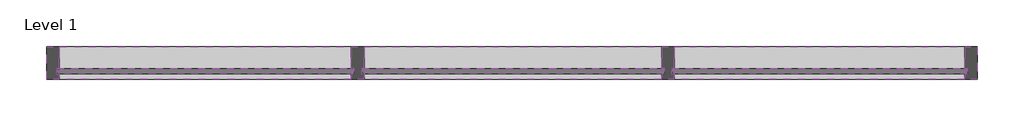
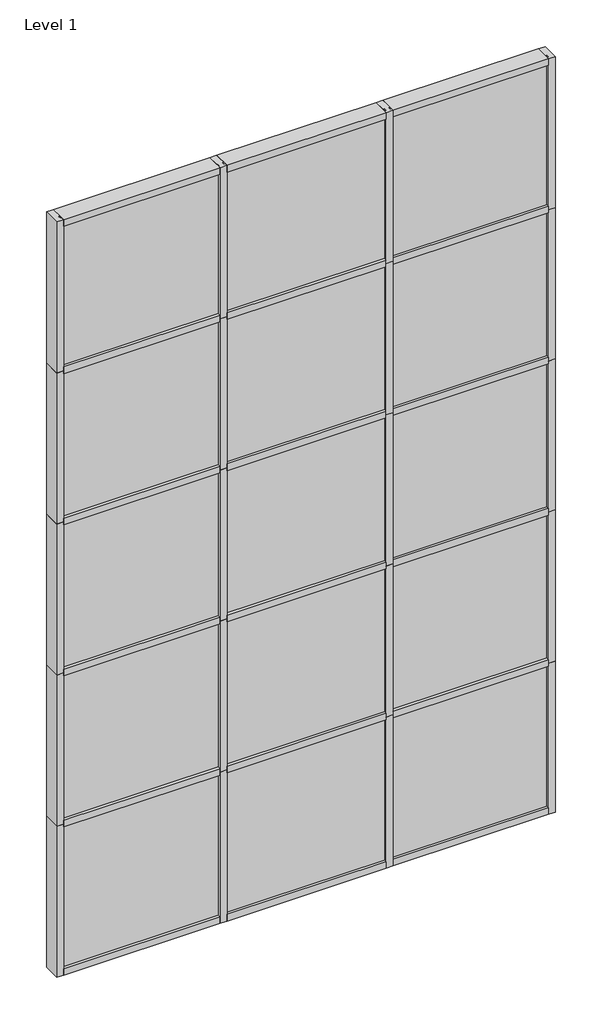
# One storey: 38 members, 15 plates.
"""IFC4 building model written with IfcOpenShell, lengths in millimetres."""

import ifcopenshell
import ifcopenshell.guid

model = None  # the IFC model being written
_history = None  # IfcOwnerHistory: only IFC2X3 demands one
_inside = {}  # id of a spatial element -> (the spatial element, [elements in it])
_under = {}  # id of a project, library or spatial element -> (it, [spatial elements below it])
_declared = {}  # id of a project -> (the project, [libraries it declares])
_typed = {}  # id of a type object -> (the type object, [elements of that type])
_made_of = {}  # id of a material, layer set ... -> (it, [elements and type objects made of it])


def new_model(schema):
    """Start an empty IFC model of exactly this schema.

    Asked for "IFC4X3", IfcOpenShell would pick the latest addendum, in which some entities
    have other attributes; the version numbers below select the first issue.
    IFC2X3 requires an IfcOwnerHistory on every rooted entity: one is made here for all.
    """
    global model, _history
    if schema == "IFC4X3":
        model = ifcopenshell.file(schema_version=(4, 3, 0, 0))
    else:
        model = ifcopenshell.file(schema=schema)
    _inside.clear()
    _under.clear()
    _declared.clear()
    _typed.clear()
    _made_of.clear()
    _history = None
    if model.schema == "IFC2X3":
        org = make("IfcOrganization", Name="unknown")
        user = make(
            "IfcPersonAndOrganization",
            ThePerson=make("IfcPerson", FamilyName="unknown"),
            TheOrganization=org,
        )
        app = make(
            "IfcApplication",
            ApplicationDeveloper=org,
            Version="unknown",
            ApplicationFullName="unknown",
            ApplicationIdentifier="unknown",
        )
        _history = make(
            "IfcOwnerHistory",
            OwningUser=user,
            OwningApplication=app,
            ChangeAction="ADDED",
            CreationDate=0,
        )
    return model


def make(cls, **values):
    """One entity of the class cls with the attributes given. An attribute that is None is left unset."""
    return model.create_entity(
        cls, **{name: value for name, value in values.items() if value is not None}
    )


def rooted(cls, **values):
    """An entity with a GlobalId (a new one), such as an element, a storey or a relation."""
    return make(cls, GlobalId=ifcopenshell.guid.new(), OwnerHistory=_history, **values)


def si_unit(unit_type, name, prefix=None):
    """IfcSIUnit, for example si_unit("LENGTHUNIT", "METRE", prefix="MILLI")."""
    return make("IfcSIUnit", UnitType=unit_type, Prefix=prefix, Name=name)


def assignment(units):
    """IfcUnitAssignment: the units of a project."""
    return None if units is None else make("IfcUnitAssignment", Units=units)


def point(xyz):
    """IfcCartesianPoint."""
    return None if xyz is None else make("IfcCartesianPoint", Coordinates=xyz)


def direction(xyz):
    """IfcDirection."""
    return None if xyz is None else make("IfcDirection", DirectionRatios=xyz)


def frame(location, z_axis=None, x_axis=None):
    """IfcAxis2Placement3D, a coordinate frame: its origin and axes. An axis left out is left unset."""
    return make(
        "IfcAxis2Placement3D",
        Location=point(location),
        Axis=direction(z_axis),
        RefDirection=direction(x_axis),
    )


def origin():
    """The frame at (0, 0, 0) with its axes left unset."""
    return frame((0.0, 0.0, 0.0))


def origin_with_axes():
    """The frame at (0, 0, 0) with the z axis (0, 0, 1) and the x axis (1, 0, 0) written out."""
    return frame((0.0, 0.0, 0.0), z_axis=(0.0, 0.0, 1.0), x_axis=(1.0, 0.0, 0.0))


def place(relative_to, where):
    """IfcLocalPlacement: puts the frame where relative to a parent placement (None: the world)."""
    return make(
        "IfcLocalPlacement", PlacementRelTo=relative_to, RelativePlacement=where
    )


def context(
    kind, dimensions, precision=None, world=None, true_north=None, identifier=None
):
    """IfcGeometricRepresentationContext, for example the 3D "Model" context."""
    return make(
        "IfcGeometricRepresentationContext",
        ContextIdentifier=identifier,
        ContextType=kind,
        CoordinateSpaceDimension=dimensions,
        Precision=precision,
        WorldCoordinateSystem=world,
        TrueNorth=true_north,
    )


def project(units=None, contexts=None):
    """IfcProject with its units and contexts."""
    return rooted(
        "IfcProject",
        Name="project",
        RepresentationContexts=contexts,
        UnitsInContext=assignment(units),
    )


def spatial(cls, under=None, at=None, **own):
    """A site, building, storey or space (cls), placed at a placement, below another one or the project."""
    s = rooted(cls, ObjectPlacement=at, **own)
    if under is not None:
        _under.setdefault(under.id(), (under, []))[1].append(s)
    return s


def polyline(points):
    """IfcPolyline through the points."""
    return make("IfcPolyline", Points=[point(p) for p in points])


def outline(outer, holes=None, kind="AREA"):
    """IfcArbitraryClosedProfileDef: a profile drawn as a closed curve; with holes, ...WithVoids."""
    if holes is None:
        return make("IfcArbitraryClosedProfileDef", ProfileType=kind, OuterCurve=outer)
    return make(
        "IfcArbitraryProfileDefWithVoids",
        ProfileType=kind,
        OuterCurve=outer,
        InnerCurves=holes,
    )


def extrude(swept, where, along, depth):
    """IfcExtrudedAreaSolid: the profile swept, set in the frame where, extruded along a direction by depth."""
    return make(
        "IfcExtrudedAreaSolid",
        SweptArea=swept,
        Position=where,
        ExtrudedDirection=direction(along),
        Depth=depth,
    )


def shape(context_of_items, identifier, shape_type, items):
    """IfcShapeRepresentation: the items that make up one representation, for example the "Body"."""
    return make(
        "IfcShapeRepresentation",
        ContextOfItems=context_of_items,
        RepresentationIdentifier=identifier,
        RepresentationType=shape_type,
        Items=items,
    )


def source(mapping_origin, context_of_items, identifier, shape_type, items):
    """IfcRepresentationMap: a shape defined once, which mapped items show again and again."""
    return make(
        "IfcRepresentationMap",
        MappingOrigin=mapping_origin,
        MappedRepresentation=shape(context_of_items, identifier, shape_type, items),
    )


def transform(
    local_origin,
    x_axis=None,
    y_axis=None,
    z_axis=None,
    scale=None,
    scale2=None,
    scale3=None,
    uniform=True,
):
    """IfcCartesianTransformationOperator3D, or its non-uniform kind. x_axis, y_axis, z_axis: its Axis1, 2, 3."""
    if uniform:
        return make(
            "IfcCartesianTransformationOperator3D",
            Axis1=direction(x_axis),
            Axis2=direction(y_axis),
            LocalOrigin=point(local_origin),
            Scale=scale,
            Axis3=direction(z_axis),
        )
    return make(
        "IfcCartesianTransformationOperator3DnonUniform",
        Axis1=direction(x_axis),
        Axis2=direction(y_axis),
        LocalOrigin=point(local_origin),
        Scale=scale,
        Axis3=direction(z_axis),
        Scale2=scale2,
        Scale3=scale3,
    )


def mapped(mapping_source, mapping_target):
    """IfcMappedItem: shows the shape of a source again, moved by a transform."""
    return make(
        "IfcMappedItem", MappingSource=mapping_source, MappingTarget=mapping_target
    )


def made_of(thing, what):
    """Note that an element or type object is made of a material, layer set ...; save() writes the relation."""
    if what is not None:
        _made_of.setdefault(what.id(), (what, []))[1].append(thing)
    return thing


def element(
    cls,
    number,
    at=None,
    inside=None,
    cuts=None,
    type_object=None,
    material=None,
    context=None,
    identifier="Body",
    shape_type=None,
    held_by="IfcProductDefinitionShape",
    body=None,
    shapes=None,
    **own,
):
    """One element of the class cls, such as IfcWall. Its Tag is "e" and its number.

    at: its placement. inside: the storey or other place that contains it. cuts: it is an
    opening in that element (IfcRelVoidsElement). A single representation is given by context,
    identifier, shape_type and body (its items); several are given by shapes. held_by: the class
    of the entity that holds the representations. save() writes the other relations.
    """
    e = rooted(cls, Tag="e%d" % number, ObjectPlacement=at, **own)
    if body is not None:
        shapes = [shape(context, identifier, shape_type, body)]
    if shapes is not None:
        e.Representation = make(held_by, Representations=shapes)
    if inside is not None:
        _inside.setdefault(inside.id(), (inside, []))[1].append(e)
    if cuts is not None:
        rooted(
            "IfcRelVoidsElement", RelatingBuildingElement=cuts, RelatedOpeningElement=e
        )
    if type_object is not None:
        _typed.setdefault(type_object.id(), (type_object, []))[1].append(e)
    return made_of(e, material)


def aggregate(whole, parts):
    """IfcRelAggregates: a whole, such as a stair, and the parts it consists of."""
    return rooted("IfcRelAggregates", RelatingObject=whole, RelatedObjects=parts)


def save(model, path):
    """Write the relations noted so far, then the file.

    IfcRelAggregates (storeys below a building ...), IfcRelContainedInSpatialStructure (elements
    in a storey), IfcRelDefinesByType, IfcRelAssociatesMaterial and IfcRelDeclares: one each for
    every whole, place, type object, material and project.
    """
    for whole, parts in _under.values():
        aggregate(whole, parts)
    for where, things in _inside.values():
        rooted(
            "IfcRelContainedInSpatialStructure",
            RelatedElements=things,
            RelatingStructure=where,
        )
    for kind, things in _typed.values():
        rooted("IfcRelDefinesByType", RelatedObjects=things, RelatingType=kind)
    for what, things in _made_of.values():
        rooted("IfcRelAssociatesMaterial", RelatedObjects=things, RelatingMaterial=what)
    for by, libraries in _declared.values():
        rooted("IfcRelDeclares", RelatingContext=by, RelatedDefinitions=libraries)
    model.write(path)


def rectangular_mullion_kawneer_7500_wall_6_516_mullion_head_7c724990(model_context):
    return source(origin(), model_context, "Body", "SweptSolid", [
        extrude(outline(polyline([(-63.5, -122.2375), (-63.5, -12.7), (-50.7982296, -12.7), (-50.7982296, 12.7), (-63.5, 12.7), (-63.5, 38.1), (0.0, 38.1), (0.0, -122.2375), (-63.5, -122.2375)])), frame((0.0, 0.0, -1424.4155973), z_axis=(0.0, 0.0, 1.0), x_axis=(1.0, 0.0, 0.0)), (0.0, 0.0, 1.0), 1424.4155973),
    ])


def rectangular_mullion_kawneer_7500_wall_6_516_mullion_head_b0407afc(model_context):
    return source(origin(), model_context, "Body", "SweptSolid", [
        extrude(outline(polyline([(-63.5, -122.2375), (-63.5, -12.7), (-50.7982296, -12.7), (-50.7982296, 12.7), (-63.5, 12.7), (-63.5, 38.1), (0.0, 38.1), (0.0, -122.2375), (-63.5, -122.2375)])), frame((0.0, 0.0, -1433.0844027), z_axis=(0.0, 0.0, 1.0), x_axis=(1.0, 0.0, 0.0)), (0.0, 0.0, 1.0), 1433.0844027),
    ])


def rectangular_mullion_kawneer_7500_wall_6_516_mullion_head_a60bf01f(model_context):
    return source(origin(), model_context, "Body", "SweptSolid", [
        extrude(outline(polyline([(-63.5, -122.2375), (-63.5, -12.7), (-50.7982296, -12.7), (-50.7982296, 12.7), (-63.5, 12.7), (-63.5, 38.1), (0.0, 38.1), (0.0, -122.2375), (-63.5, -122.2375)])), frame((0.0, 0.0, -1460.5), z_axis=(0.0, 0.0, 1.0), x_axis=(1.0, 0.0, 0.0)), (0.0, 0.0, 1.0), 1460.5),
    ])


def rectangular_mullion_kawneer_7500_wall_6_516_mullion_004b71ef(model_context):
    return source(origin(), model_context, "Body", "SweptSolid", [
        extrude(outline(polyline([(36.0844027, -122.2375), (-27.4155973, -122.2375), (-27.4155973, -15.08125), (-14.7155973, -15.08125), (-14.7155973, 10.31875), (-27.4155973, 10.31875), (-27.4155973, 38.1), (36.0844027, 38.1), (36.0844027, 10.31875), (23.3826322, 10.31875), (23.3826322, -15.08125), (36.0844027, -15.08125), (36.0844027, -122.2375)])), frame((0.0, 0.0, -1433.0844027), z_axis=(0.0, 0.0, 1.0), x_axis=(1.0, 0.0, 0.0)), (0.0, 0.0, 1.0), 1433.0844027),
    ])


def rectangular_mullion_kawneer_7500_wall_6_516_mullion_fb8f0e66(model_context):
    return source(origin(), model_context, "Body", "SweptSolid", [
        extrude(outline(polyline([(36.0844027, -122.2375), (-27.4155973, -122.2375), (-27.4155973, -15.08125), (-14.7155973, -15.08125), (-14.7155973, 10.31875), (-27.4155973, 10.31875), (-27.4155973, 38.1), (36.0844027, 38.1), (36.0844027, 10.31875), (23.3826322, 10.31875), (23.3826322, -15.08125), (36.0844027, -15.08125), (36.0844027, -122.2375)])), frame((0.0, 0.0, -1460.5), z_axis=(0.0, 0.0, 1.0), x_axis=(1.0, 0.0, 0.0)), (0.0, 0.0, 1.0), 1460.5),
    ])


def rectangular_mullion_kawneer_7500_wall_6_516_mullion_56875fb7(model_context):
    return source(origin(), model_context, "Body", "SweptSolid", [
        extrude(outline(polyline([(36.0844027, -122.2375), (-27.4155973, -122.2375), (-27.4155973, -15.08125), (-14.7155973, -15.08125), (-14.7155973, 10.31875), (-27.4155973, 10.31875), (-27.4155973, 38.1), (36.0844027, 38.1), (36.0844027, 10.31875), (23.3826322, 10.31875), (23.3826322, -15.08125), (36.0844027, -15.08125), (36.0844027, -122.2375)])), frame((0.0, 0.0, -1424.4155973), z_axis=(0.0, 0.0, 1.0), x_axis=(1.0, 0.0, 0.0)), (0.0, 0.0, 1.0), 1424.4155973),
    ])


def rectangular_mullion_kawneer_7500_wall_6_516_mullion_jamb_l_288dda1c(model_context):
    return source(origin(), model_context, "Body", "SweptSolid", [
        extrude(outline(polyline([(-63.5, -122.2375), (-63.5, -12.7), (-50.7982296, -12.7), (-50.7982296, 12.7), (-63.5, 12.7), (-63.5, 38.1), (0.0, 38.1), (0.0, -122.2375), (-63.5, -122.2375)])), frame((0.0, 0.0, -1463.04), z_axis=(0.0, 0.0, 1.0), x_axis=(1.0, 0.0, 0.0)), (0.0, 0.0, 1.0), 1463.04),
    ])


def rectangular_mullion_kawneer_7500_wall_6_516_mullion_vertical_0418238f(model_context):
    return source(origin(), model_context, "Body", "SweptSolid", [
        extrude(outline(polyline([(36.0844027, -122.2375), (-27.4155973, -122.2375), (-27.4155973, -15.08125), (-14.7155973, -15.08125), (-14.7155973, 10.31875), (-27.4155973, 10.31875), (-27.4155973, 38.1), (36.0844027, 38.1), (36.0844027, 10.31875), (23.3826322, 10.31875), (23.3826322, -15.08125), (36.0844027, -15.08125), (36.0844027, -122.2375)])), frame((0.0, 0.0, -1463.04), z_axis=(0.0, 0.0, 1.0), x_axis=(1.0, 0.0, 0.0)), (0.0, 0.0, 1.0), 1463.04),
    ])


def plate_3cae2be3(model_context):
    return source(origin(), model_context, "Body", "SweptSolid", [
        extrude(outline(polyline([(729.2430865, -10.31875), (-729.2430865, -10.31875), (-729.2430865, 15.08125), (729.2430865, 15.08125), (729.2430865, -10.31875)])), origin_with_axes(), (0.0, 0.0, 1.0), 1397.5261731),
    ])


def plate_2514ac2b(model_context):
    return source(origin(), model_context, "Body", "SweptSolid", [
        extrude(outline(polyline([(729.2430865, -10.31875), (-729.2430865, -10.31875), (-729.2430865, 15.08125), (729.2430865, 15.08125), (729.2430865, -10.31875)])), origin_with_axes(), (0.0, 0.0, 1.0), 1424.9417704),
    ])


def plate_3e18703e(model_context):
    return source(origin(), model_context, "Body", "SweptSolid", [
        extrude(outline(polyline([(742.9508852, -10.31875), (-742.9508852, -10.31875), (-742.9508852, 15.08125), (742.9508852, 15.08125), (742.9508852, -10.31875)])), origin_with_axes(), (0.0, 0.0, 1.0), 1397.5261731),
    ])


def plate_be345480(model_context):
    return source(origin(), model_context, "Body", "SweptSolid", [
        extrude(outline(polyline([(742.9508852, -10.31875), (-742.9508852, -10.31875), (-742.9508852, 15.08125), (742.9508852, 15.08125), (742.9508852, -10.31875)])), origin_with_axes(), (0.0, 0.0, 1.0), 1424.9417704),
    ])


def plate_1122c197(model_context):
    return source(origin(), model_context, "Body", "SweptSolid", [
        extrude(outline(polyline([(724.9095691, -10.31875), (-724.9095691, -10.31875), (-724.9095691, 15.08125), (724.9095691, 15.08125), (724.9095691, -10.31875)])), origin_with_axes(), (0.0, 0.0, 1.0), 1397.5261731),
    ])


def plate_b290e65e(model_context):
    return source(origin(), model_context, "Body", "SweptSolid", [
        extrude(outline(polyline([(724.9095691, -10.31875), (-724.9095691, -10.31875), (-724.9095691, 15.08125), (724.9095691, 15.08125), (724.9095691, -10.31875)])), origin_with_axes(), (0.0, 0.0, 1.0), 1424.9417704),
    ])


def plate_e518b3cf(model_context):
    return source(origin(), model_context, "Body", "SweptSolid", [
        extrude(outline(polyline([(729.2430865, -10.31875), (-729.2430865, -10.31875), (-729.2430865, 15.08125), (729.2430865, 15.08125), (729.2430865, -10.31875)])), origin_with_axes(), (0.0, 0.0, 1.0), 1388.8591382),
    ])


def plate_3800d085(model_context):
    return source(origin(), model_context, "Body", "SweptSolid", [
        extrude(outline(polyline([(742.9508852, -10.31875), (-742.9508852, -10.31875), (-742.9508852, 15.08125), (742.9508852, 15.08125), (742.9508852, -10.31875)])), origin_with_axes(), (0.0, 0.0, 1.0), 1388.8591382),
    ])


def plate_e2f90592(model_context):
    return source(origin(), model_context, "Body", "SweptSolid", [
        extrude(outline(polyline([(724.9095691, -10.31875), (-724.9095691, -10.31875), (-724.9095691, 15.08125), (724.9095691, 15.08125), (724.9095691, -10.31875)])), origin_with_axes(), (0.0, 0.0, 1.0), 1388.8591382),
    ])


model = new_model("IFC4")

# Units and contexts
model_context = context("Model", 3, world=origin())
ifc_project = project(units=[si_unit("LENGTHUNIT", "METRE", prefix="MILLI")], contexts=[model_context])

# Site, building, storey
site = spatial("IfcSite", under=ifc_project)
building = spatial("IfcBuilding", under=site)
storey = spatial("IfcBuildingStorey", under=building, Name="Level 1", Elevation=0.0)

# Members
placement = place(None, origin())
rectangular_mullion_kawneer_7500_wall_6_516_mullion_head_shape = rectangular_mullion_kawneer_7500_wall_6_516_mullion_head_7c724990(model_context)
element("IfcMember", 1, ObjectType="Rectangular Mullion : Kawneer-7500_Wall_6-516 Mullion_Head", at=placement, inside=storey, context=model_context, shape_type="MappedRepresentation", body=[
    mapped(rectangular_mullion_kawneer_7500_wall_6_516_mullion_head_shape, transform((7949.4882675, 4173.5366393, 7315.2), x_axis=(0.0, 0.0, 1.0), y_axis=(0.0, -1.0, 0.0), z_axis=(1.0, 0.0, 0.0))),
])
rectangular_mullion_kawneer_7500_wall_6_516_mullion_head_2_shape = rectangular_mullion_kawneer_7500_wall_6_516_mullion_head_b0407afc(model_context)
element("IfcMember", 2, ObjectType="Rectangular Mullion : Kawneer-7500_Wall_6-516 Mullion_Head", at=placement, inside=storey, context=model_context, shape_type="MappedRepresentation", body=[
    mapped(rectangular_mullion_kawneer_7500_wall_6_516_mullion_head_2_shape, transform((4937.5726702, 4173.5366393, 7315.2), x_axis=(0.0, 0.0, 1.0), y_axis=(0.0, -1.0, 0.0), z_axis=(1.0, 0.0, 0.0))),
])
rectangular_mullion_kawneer_7500_wall_6_516_mullion_head_3_shape = rectangular_mullion_kawneer_7500_wall_6_516_mullion_head_a60bf01f(model_context)
element("IfcMember", 3, ObjectType="Rectangular Mullion : Kawneer-7500_Wall_6-516 Mullion_Head", at=placement, inside=storey, context=model_context, shape_type="MappedRepresentation", body=[
    mapped(rectangular_mullion_kawneer_7500_wall_6_516_mullion_head_3_shape, transform((6461.5726702, 4173.5366393, 7315.2), x_axis=(0.0, 0.0, 1.0), y_axis=(0.0, -1.0, 0.0), z_axis=(1.0, 0.0, 0.0))),
])
rectangular_mullion_kawneer_7500_wall_6_516_mullion_shape = rectangular_mullion_kawneer_7500_wall_6_516_mullion_004b71ef(model_context)
element("IfcMember", 4, ObjectType="Rectangular Mullion : Kawneer-7500_Wall_6-516 Mullion_Horizontal", at=placement, inside=storey, context=model_context, shape_type="MappedRepresentation", body=[
    mapped(rectangular_mullion_kawneer_7500_wall_6_516_mullion_shape, transform((4937.5726702, 4173.5366393, 1463.04), x_axis=(0.0, 0.0, 1.0), y_axis=(0.0, -1.0, 0.0), z_axis=(1.0, 0.0, 0.0))),
])
element("IfcMember", 5, ObjectType="Rectangular Mullion : Kawneer-7500_Wall_6-516 Mullion_Horizontal", at=placement, inside=storey, context=model_context, shape_type="MappedRepresentation", body=[
    mapped(rectangular_mullion_kawneer_7500_wall_6_516_mullion_shape, transform((4937.5726702, 4173.5366393, 2926.08), x_axis=(0.0, 0.0, 1.0), y_axis=(0.0, -1.0, 0.0), z_axis=(1.0, 0.0, 0.0))),
])
element("IfcMember", 6, ObjectType="Rectangular Mullion : Kawneer-7500_Wall_6-516 Mullion_Horizontal", at=placement, inside=storey, context=model_context, shape_type="MappedRepresentation", body=[
    mapped(rectangular_mullion_kawneer_7500_wall_6_516_mullion_shape, transform((4937.5726702, 4173.5366393, 4389.12), x_axis=(0.0, 0.0, 1.0), y_axis=(0.0, -1.0, 0.0), z_axis=(1.0, 0.0, 0.0))),
])
element("IfcMember", 7, ObjectType="Rectangular Mullion : Kawneer-7500_Wall_6-516 Mullion_Horizontal", at=placement, inside=storey, context=model_context, shape_type="MappedRepresentation", body=[
    mapped(rectangular_mullion_kawneer_7500_wall_6_516_mullion_shape, transform((4937.5726702, 4173.5366393, 5852.16), x_axis=(0.0, 0.0, 1.0), y_axis=(0.0, -1.0, 0.0), z_axis=(1.0, 0.0, 0.0))),
])
rectangular_mullion_kawneer_7500_wall_6_516_mullion_2_shape = rectangular_mullion_kawneer_7500_wall_6_516_mullion_fb8f0e66(model_context)
element("IfcMember", 8, ObjectType="Rectangular Mullion : Kawneer-7500_Wall_6-516 Mullion_Horizontal", at=placement, inside=storey, context=model_context, shape_type="MappedRepresentation", body=[
    mapped(rectangular_mullion_kawneer_7500_wall_6_516_mullion_2_shape, transform((6461.5726702, 4173.5366393, 1463.04), x_axis=(0.0, 0.0, 1.0), y_axis=(0.0, -1.0, 0.0), z_axis=(1.0, 0.0, 0.0))),
])
element("IfcMember", 9, ObjectType="Rectangular Mullion : Kawneer-7500_Wall_6-516 Mullion_Horizontal", at=placement, inside=storey, context=model_context, shape_type="MappedRepresentation", body=[
    mapped(rectangular_mullion_kawneer_7500_wall_6_516_mullion_2_shape, transform((6461.5726702, 4173.5366393, 2926.08), x_axis=(0.0, 0.0, 1.0), y_axis=(0.0, -1.0, 0.0), z_axis=(1.0, 0.0, 0.0))),
])
element("IfcMember", 10, ObjectType="Rectangular Mullion : Kawneer-7500_Wall_6-516 Mullion_Horizontal", at=placement, inside=storey, context=model_context, shape_type="MappedRepresentation", body=[
    mapped(rectangular_mullion_kawneer_7500_wall_6_516_mullion_2_shape, transform((6461.5726702, 4173.5366393, 4389.12), x_axis=(0.0, 0.0, 1.0), y_axis=(0.0, -1.0, 0.0), z_axis=(1.0, 0.0, 0.0))),
])
element("IfcMember", 11, ObjectType="Rectangular Mullion : Kawneer-7500_Wall_6-516 Mullion_Horizontal", at=placement, inside=storey, context=model_context, shape_type="MappedRepresentation", body=[
    mapped(rectangular_mullion_kawneer_7500_wall_6_516_mullion_2_shape, transform((6461.5726702, 4173.5366393, 5852.16), x_axis=(0.0, 0.0, 1.0), y_axis=(0.0, -1.0, 0.0), z_axis=(1.0, 0.0, 0.0))),
])
rectangular_mullion_kawneer_7500_wall_6_516_mullion_3_shape = rectangular_mullion_kawneer_7500_wall_6_516_mullion_56875fb7(model_context)
element("IfcMember", 12, ObjectType="Rectangular Mullion : Kawneer-7500_Wall_6-516 Mullion_Horizontal", at=placement, inside=storey, context=model_context, shape_type="MappedRepresentation", body=[
    mapped(rectangular_mullion_kawneer_7500_wall_6_516_mullion_3_shape, transform((7949.4882675, 4173.5366393, 1463.04), x_axis=(0.0, 0.0, 1.0), y_axis=(0.0, -1.0, 0.0), z_axis=(1.0, 0.0, 0.0))),
])
element("IfcMember", 13, ObjectType="Rectangular Mullion : Kawneer-7500_Wall_6-516 Mullion_Horizontal", at=placement, inside=storey, context=model_context, shape_type="MappedRepresentation", body=[
    mapped(rectangular_mullion_kawneer_7500_wall_6_516_mullion_3_shape, transform((7949.4882675, 4173.5366393, 2926.08), x_axis=(0.0, 0.0, 1.0), y_axis=(0.0, -1.0, 0.0), z_axis=(1.0, 0.0, 0.0))),
])
element("IfcMember", 14, ObjectType="Rectangular Mullion : Kawneer-7500_Wall_6-516 Mullion_Horizontal", at=placement, inside=storey, context=model_context, shape_type="MappedRepresentation", body=[
    mapped(rectangular_mullion_kawneer_7500_wall_6_516_mullion_3_shape, transform((7949.4882675, 4173.5366393, 4389.12), x_axis=(0.0, 0.0, 1.0), y_axis=(0.0, -1.0, 0.0), z_axis=(1.0, 0.0, 0.0))),
])
element("IfcMember", 15, ObjectType="Rectangular Mullion : Kawneer-7500_Wall_6-516 Mullion_Horizontal", at=placement, inside=storey, context=model_context, shape_type="MappedRepresentation", body=[
    mapped(rectangular_mullion_kawneer_7500_wall_6_516_mullion_3_shape, transform((7949.4882675, 4173.5366393, 5852.16), x_axis=(0.0, 0.0, 1.0), y_axis=(0.0, -1.0, 0.0), z_axis=(1.0, 0.0, 0.0))),
])
rectangular_mullion_kawneer_7500_wall_6_516_mullion_jamb_l_shape = rectangular_mullion_kawneer_7500_wall_6_516_mullion_jamb_l_288dda1c(model_context)
element("IfcMember", 16, ObjectType="Rectangular Mullion : Kawneer-7500_Wall_6-516 Mullion_Jamb L", at=placement, inside=storey, context=model_context, shape_type="MappedRepresentation", body=[
    mapped(rectangular_mullion_kawneer_7500_wall_6_516_mullion_jamb_l_shape, transform((8012.9882675, 4173.5366393, 0.0), x_axis=(1.0, 0.0, 0.0), y_axis=(0.0, -1.0, 0.0), z_axis=(0.0, 0.0, -1.0))),
])
element("IfcMember", 17, ObjectType="Rectangular Mullion : Kawneer-7500_Wall_6-516 Mullion_Jamb L", at=placement, inside=storey, context=model_context, shape_type="MappedRepresentation", body=[
    mapped(rectangular_mullion_kawneer_7500_wall_6_516_mullion_jamb_l_shape, transform((8012.9882675, 4173.5366393, 1463.04), x_axis=(1.0, 0.0, 0.0), y_axis=(0.0, -1.0, 0.0), z_axis=(0.0, 0.0, -1.0))),
])
element("IfcMember", 18, ObjectType="Rectangular Mullion : Kawneer-7500_Wall_6-516 Mullion_Jamb L", at=placement, inside=storey, context=model_context, shape_type="MappedRepresentation", body=[
    mapped(rectangular_mullion_kawneer_7500_wall_6_516_mullion_jamb_l_shape, transform((8012.9882675, 4173.5366393, 2926.08), x_axis=(1.0, 0.0, 0.0), y_axis=(0.0, -1.0, 0.0), z_axis=(0.0, 0.0, -1.0))),
])
element("IfcMember", 19, ObjectType="Rectangular Mullion : Kawneer-7500_Wall_6-516 Mullion_Jamb L", at=placement, inside=storey, context=model_context, shape_type="MappedRepresentation", body=[
    mapped(rectangular_mullion_kawneer_7500_wall_6_516_mullion_jamb_l_shape, transform((8012.9882675, 4173.5366393, 4389.12), x_axis=(1.0, 0.0, 0.0), y_axis=(0.0, -1.0, 0.0), z_axis=(0.0, 0.0, -1.0))),
])
element("IfcMember", 20, ObjectType="Rectangular Mullion : Kawneer-7500_Wall_6-516 Mullion_Jamb L", at=placement, inside=storey, context=model_context, shape_type="MappedRepresentation", body=[
    mapped(rectangular_mullion_kawneer_7500_wall_6_516_mullion_jamb_l_shape, transform((8012.9882675, 4173.5366393, 5852.16), x_axis=(1.0, 0.0, 0.0), y_axis=(0.0, -1.0, 0.0), z_axis=(0.0, 0.0, -1.0))),
])
element("IfcMember", 21, ObjectType="Rectangular Mullion : Kawneer-7500_Wall_6-516 Mullion_Jamb R", at=placement, inside=storey, context=model_context, shape_type="MappedRepresentation", body=[
    mapped(rectangular_mullion_kawneer_7500_wall_6_516_mullion_jamb_l_shape, transform((3440.9882675, 4173.5366393, 7315.2), x_axis=(-1.0, 0.0, 0.0), y_axis=(0.0, -1.0, 0.0), z_axis=(0.0, 0.0, 1.0))),
])
element("IfcMember", 22, ObjectType="Rectangular Mullion : Kawneer-7500_Wall_6-516 Mullion_Jamb R", at=placement, inside=storey, context=model_context, shape_type="MappedRepresentation", body=[
    mapped(rectangular_mullion_kawneer_7500_wall_6_516_mullion_jamb_l_shape, transform((3440.9882675, 4173.5366393, 1463.04), x_axis=(-1.0, 0.0, 0.0), y_axis=(0.0, -1.0, 0.0), z_axis=(0.0, 0.0, 1.0))),
])
element("IfcMember", 23, ObjectType="Rectangular Mullion : Kawneer-7500_Wall_6-516 Mullion_Jamb R", at=placement, inside=storey, context=model_context, shape_type="MappedRepresentation", body=[
    mapped(rectangular_mullion_kawneer_7500_wall_6_516_mullion_jamb_l_shape, transform((3440.9882675, 4173.5366393, 2926.08), x_axis=(-1.0, 0.0, 0.0), y_axis=(0.0, -1.0, 0.0), z_axis=(0.0, 0.0, 1.0))),
])
element("IfcMember", 24, ObjectType="Rectangular Mullion : Kawneer-7500_Wall_6-516 Mullion_Jamb R", at=placement, inside=storey, context=model_context, shape_type="MappedRepresentation", body=[
    mapped(rectangular_mullion_kawneer_7500_wall_6_516_mullion_jamb_l_shape, transform((3440.9882675, 4173.5366393, 4389.12), x_axis=(-1.0, 0.0, 0.0), y_axis=(0.0, -1.0, 0.0), z_axis=(0.0, 0.0, 1.0))),
])
element("IfcMember", 25, ObjectType="Rectangular Mullion : Kawneer-7500_Wall_6-516 Mullion_Jamb R", at=placement, inside=storey, context=model_context, shape_type="MappedRepresentation", body=[
    mapped(rectangular_mullion_kawneer_7500_wall_6_516_mullion_jamb_l_shape, transform((3440.9882675, 4173.5366393, 5852.16), x_axis=(-1.0, 0.0, 0.0), y_axis=(0.0, -1.0, 0.0), z_axis=(0.0, 0.0, 1.0))),
])
element("IfcMember", 26, ObjectType="Rectangular Mullion : Kawneer-7500_Wall_6-516 Mullion_Sill", at=placement, inside=storey, context=model_context, shape_type="MappedRepresentation", body=[
    mapped(rectangular_mullion_kawneer_7500_wall_6_516_mullion_head_2_shape, transform((3504.4882675, 4173.5366393, 0.0), x_axis=(0.0, 0.0, -1.0), y_axis=(0.0, -1.0, 0.0), z_axis=(-1.0, 0.0, 0.0))),
])
element("IfcMember", 27, ObjectType="Rectangular Mullion : Kawneer-7500_Wall_6-516 Mullion_Sill", at=placement, inside=storey, context=model_context, shape_type="MappedRepresentation", body=[
    mapped(rectangular_mullion_kawneer_7500_wall_6_516_mullion_head_3_shape, transform((5001.0726702, 4173.5366393, 0.0), x_axis=(0.0, 0.0, -1.0), y_axis=(0.0, -1.0, 0.0), z_axis=(-1.0, 0.0, 0.0))),
])
element("IfcMember", 28, ObjectType="Rectangular Mullion : Kawneer-7500_Wall_6-516 Mullion_Sill", at=placement, inside=storey, context=model_context, shape_type="MappedRepresentation", body=[
    mapped(rectangular_mullion_kawneer_7500_wall_6_516_mullion_head_shape, transform((6525.0726702, 4173.5366393, 0.0), x_axis=(0.0, 0.0, -1.0), y_axis=(0.0, -1.0, 0.0), z_axis=(-1.0, 0.0, 0.0))),
])
rectangular_mullion_kawneer_7500_wall_6_516_mullion_vertical_shape = rectangular_mullion_kawneer_7500_wall_6_516_mullion_vertical_0418238f(model_context)
element("IfcMember", 29, ObjectType="Rectangular Mullion : Kawneer-7500_Wall_6-516 Mullion_Vertical", at=placement, inside=storey, context=model_context, shape_type="MappedRepresentation", body=[
    mapped(rectangular_mullion_kawneer_7500_wall_6_516_mullion_vertical_shape, transform((4964.9882675, 4173.5366393, 5852.16), x_axis=(1.0, 0.0, 0.0), y_axis=(0.0, -1.0, 0.0), z_axis=(0.0, 0.0, -1.0))),
])
element("IfcMember", 30, ObjectType="Rectangular Mullion : Kawneer-7500_Wall_6-516 Mullion_Vertical", at=placement, inside=storey, context=model_context, shape_type="MappedRepresentation", body=[
    mapped(rectangular_mullion_kawneer_7500_wall_6_516_mullion_vertical_shape, transform((6488.9882675, 4173.5366393, 5852.16), x_axis=(1.0, 0.0, 0.0), y_axis=(0.0, -1.0, 0.0), z_axis=(0.0, 0.0, -1.0))),
])
element("IfcMember", 31, ObjectType="Rectangular Mullion : Kawneer-7500_Wall_6-516 Mullion_Vertical", at=placement, inside=storey, context=model_context, shape_type="MappedRepresentation", body=[
    mapped(rectangular_mullion_kawneer_7500_wall_6_516_mullion_vertical_shape, transform((4964.9882675, 4173.5366393, 1463.04), x_axis=(1.0, 0.0, 0.0), y_axis=(0.0, -1.0, 0.0), z_axis=(0.0, 0.0, -1.0))),
])
element("IfcMember", 32, ObjectType="Rectangular Mullion : Kawneer-7500_Wall_6-516 Mullion_Vertical", at=placement, inside=storey, context=model_context, shape_type="MappedRepresentation", body=[
    mapped(rectangular_mullion_kawneer_7500_wall_6_516_mullion_vertical_shape, transform((6488.9882675, 4173.5366393, 1463.04), x_axis=(1.0, 0.0, 0.0), y_axis=(0.0, -1.0, 0.0), z_axis=(0.0, 0.0, -1.0))),
])
element("IfcMember", 33, ObjectType="Rectangular Mullion : Kawneer-7500_Wall_6-516 Mullion_Vertical", at=placement, inside=storey, context=model_context, shape_type="MappedRepresentation", body=[
    mapped(rectangular_mullion_kawneer_7500_wall_6_516_mullion_vertical_shape, transform((4964.9882675, 4173.5366393, 2926.08), x_axis=(1.0, 0.0, 0.0), y_axis=(0.0, -1.0, 0.0), z_axis=(0.0, 0.0, -1.0))),
])
element("IfcMember", 34, ObjectType="Rectangular Mullion : Kawneer-7500_Wall_6-516 Mullion_Vertical", at=placement, inside=storey, context=model_context, shape_type="MappedRepresentation", body=[
    mapped(rectangular_mullion_kawneer_7500_wall_6_516_mullion_vertical_shape, transform((6488.9882675, 4173.5366393, 2926.08), x_axis=(1.0, 0.0, 0.0), y_axis=(0.0, -1.0, 0.0), z_axis=(0.0, 0.0, -1.0))),
])
element("IfcMember", 35, ObjectType="Rectangular Mullion : Kawneer-7500_Wall_6-516 Mullion_Vertical", at=placement, inside=storey, context=model_context, shape_type="MappedRepresentation", body=[
    mapped(rectangular_mullion_kawneer_7500_wall_6_516_mullion_vertical_shape, transform((4964.9882675, 4173.5366393, 4389.12), x_axis=(1.0, 0.0, 0.0), y_axis=(0.0, -1.0, 0.0), z_axis=(0.0, 0.0, -1.0))),
])
element("IfcMember", 36, ObjectType="Rectangular Mullion : Kawneer-7500_Wall_6-516 Mullion_Vertical", at=placement, inside=storey, context=model_context, shape_type="MappedRepresentation", body=[
    mapped(rectangular_mullion_kawneer_7500_wall_6_516_mullion_vertical_shape, transform((6488.9882675, 4173.5366393, 4389.12), x_axis=(1.0, 0.0, 0.0), y_axis=(0.0, -1.0, 0.0), z_axis=(0.0, 0.0, -1.0))),
])
element("IfcMember", 37, ObjectType="Rectangular Mullion : Kawneer-7500_Wall_6-516 Mullion_Vertical", at=placement, inside=storey, context=model_context, shape_type="MappedRepresentation", body=[
    mapped(rectangular_mullion_kawneer_7500_wall_6_516_mullion_vertical_shape, transform((4964.9882675, 4173.5366393, 0.0), x_axis=(1.0, 0.0, 0.0), y_axis=(0.0, -1.0, 0.0), z_axis=(0.0, 0.0, -1.0))),
])
element("IfcMember", 38, ObjectType="Rectangular Mullion : Kawneer-7500_Wall_6-516 Mullion_Vertical", at=placement, inside=storey, context=model_context, shape_type="MappedRepresentation", body=[
    mapped(rectangular_mullion_kawneer_7500_wall_6_516_mullion_vertical_shape, transform((6488.9882675, 4173.5366393, 0.0), x_axis=(1.0, 0.0, 0.0), y_axis=(0.0, -1.0, 0.0), z_axis=(0.0, 0.0, -1.0))),
])

# Plates
plate_shape = plate_3cae2be3(model_context)
element("IfcPlate", 39, ObjectType="System Panel : 1\" Glass", at=placement, inside=storey, context=model_context, shape_type="MappedRepresentation", body=[
    mapped(plate_shape, transform((4221.0295837, 4173.5366393, 50.7982296), x_axis=(1.0, 0.0, 0.0), y_axis=(0.0, 1.0, 0.0), z_axis=(0.0, 0.0, 1.0))),
])
plate_2_shape = plate_2514ac2b(model_context)
element("IfcPlate", 40, ObjectType="System Panel : 1\" Glass", at=placement, inside=storey, context=model_context, shape_type="MappedRepresentation", body=[
    mapped(plate_2_shape, transform((4221.0295837, 4173.5366393, 1486.4226322), x_axis=(1.0, 0.0, 0.0), y_axis=(0.0, 1.0, 0.0), z_axis=(0.0, 0.0, 1.0))),
])
element("IfcPlate", 41, ObjectType="System Panel : 1\" Glass", at=placement, inside=storey, context=model_context, shape_type="MappedRepresentation", body=[
    mapped(plate_2_shape, transform((4221.0295837, 4173.5366393, 2949.4626322), x_axis=(1.0, 0.0, 0.0), y_axis=(0.0, 1.0, 0.0), z_axis=(0.0, 0.0, 1.0))),
])
element("IfcPlate", 42, ObjectType="System Panel : 1\" Glass", at=placement, inside=storey, context=model_context, shape_type="MappedRepresentation", body=[
    mapped(plate_2_shape, transform((4221.0295837, 4173.5366393, 4412.5026322), x_axis=(1.0, 0.0, 0.0), y_axis=(0.0, 1.0, 0.0), z_axis=(0.0, 0.0, 1.0))),
])
plate_3_shape = plate_3e18703e(model_context)
element("IfcPlate", 43, ObjectType="System Panel : 1\" Glass", at=placement, inside=storey, context=model_context, shape_type="MappedRepresentation", body=[
    mapped(plate_3_shape, transform((5731.321785, 4173.5366393, 50.7982296), x_axis=(1.0, 0.0, 0.0), y_axis=(0.0, 1.0, 0.0), z_axis=(0.0, 0.0, 1.0))),
])
plate_4_shape = plate_be345480(model_context)
element("IfcPlate", 44, ObjectType="System Panel : 1\" Glass", at=placement, inside=storey, context=model_context, shape_type="MappedRepresentation", body=[
    mapped(plate_4_shape, transform((5731.321785, 4173.5366393, 1486.4226322), x_axis=(1.0, 0.0, 0.0), y_axis=(0.0, 1.0, 0.0), z_axis=(0.0, 0.0, 1.0))),
])
element("IfcPlate", 45, ObjectType="System Panel : 1\" Glass", at=placement, inside=storey, context=model_context, shape_type="MappedRepresentation", body=[
    mapped(plate_4_shape, transform((5731.321785, 4173.5366393, 2949.4626322), x_axis=(1.0, 0.0, 0.0), y_axis=(0.0, 1.0, 0.0), z_axis=(0.0, 0.0, 1.0))),
])
element("IfcPlate", 46, ObjectType="System Panel : 1\" Glass", at=placement, inside=storey, context=model_context, shape_type="MappedRepresentation", body=[
    mapped(plate_4_shape, transform((5731.321785, 4173.5366393, 4412.5026322), x_axis=(1.0, 0.0, 0.0), y_axis=(0.0, 1.0, 0.0), z_axis=(0.0, 0.0, 1.0))),
])
plate_5_shape = plate_1122c197(model_context)
element("IfcPlate", 47, ObjectType="System Panel : 1\" Glass", at=placement, inside=storey, context=model_context, shape_type="MappedRepresentation", body=[
    mapped(plate_5_shape, transform((7237.2804689, 4173.5366393, 50.7982296), x_axis=(1.0, 0.0, 0.0), y_axis=(0.0, 1.0, 0.0), z_axis=(0.0, 0.0, 1.0))),
])
plate_6_shape = plate_b290e65e(model_context)
element("IfcPlate", 48, ObjectType="System Panel : 1\" Glass", at=placement, inside=storey, context=model_context, shape_type="MappedRepresentation", body=[
    mapped(plate_6_shape, transform((7237.2804689, 4173.5366393, 1486.4226322), x_axis=(1.0, 0.0, 0.0), y_axis=(0.0, 1.0, 0.0), z_axis=(0.0, 0.0, 1.0))),
])
element("IfcPlate", 49, ObjectType="System Panel : 1\" Glass", at=placement, inside=storey, context=model_context, shape_type="MappedRepresentation", body=[
    mapped(plate_6_shape, transform((7237.2804689, 4173.5366393, 2949.4626322), x_axis=(1.0, 0.0, 0.0), y_axis=(0.0, 1.0, 0.0), z_axis=(0.0, 0.0, 1.0))),
])
element("IfcPlate", 50, ObjectType="System Panel : 1\" Glass", at=placement, inside=storey, context=model_context, shape_type="MappedRepresentation", body=[
    mapped(plate_6_shape, transform((7237.2804689, 4173.5366393, 4412.5026322), x_axis=(1.0, 0.0, 0.0), y_axis=(0.0, 1.0, 0.0), z_axis=(0.0, 0.0, 1.0))),
])
plate_7_shape = plate_e518b3cf(model_context)
element("IfcPlate", 51, ObjectType="System Panel : 1\" Glass", at=placement, inside=storey, context=model_context, shape_type="MappedRepresentation", body=[
    mapped(plate_7_shape, transform((4221.0295837, 4173.5366393, 5875.5426322), x_axis=(1.0, 0.0, 0.0), y_axis=(0.0, 1.0, 0.0), z_axis=(0.0, 0.0, 1.0))),
])
plate_8_shape = plate_3800d085(model_context)
element("IfcPlate", 52, ObjectType="System Panel : 1\" Glass", at=placement, inside=storey, context=model_context, shape_type="MappedRepresentation", body=[
    mapped(plate_8_shape, transform((5731.321785, 4173.5366393, 5875.5426322), x_axis=(1.0, 0.0, 0.0), y_axis=(0.0, 1.0, 0.0), z_axis=(0.0, 0.0, 1.0))),
])
plate_9_shape = plate_e2f90592(model_context)
element("IfcPlate", 53, ObjectType="System Panel : 1\" Glass", at=placement, inside=storey, context=model_context, shape_type="MappedRepresentation", body=[
    mapped(plate_9_shape, transform((7237.2804689, 4173.5366393, 5875.5426322), x_axis=(1.0, 0.0, 0.0), y_axis=(0.0, 1.0, 0.0), z_axis=(0.0, 0.0, 1.0))),
])

save(model, "model.ifc")
